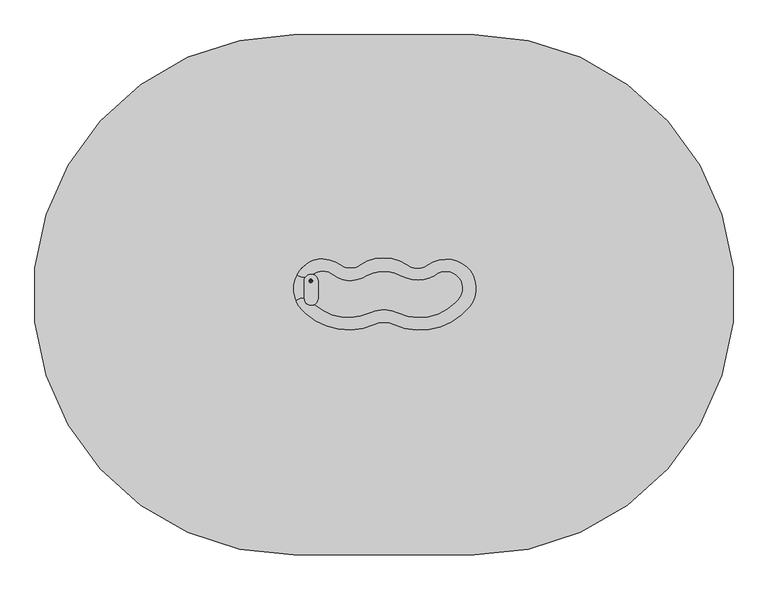
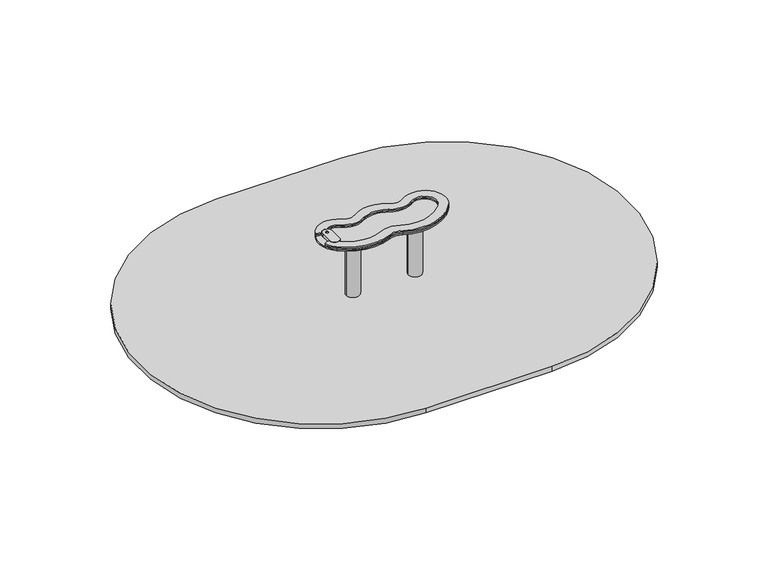
"""IFC4 building model written with IfcOpenShell, lengths in millimetres: furniture geometry."""

from ifc_helpers import new_model, si_unit, point, frame, frame_2d, origin, place, context, project, spatial, polyline, circle_curve, trimmed, segment, composite_curve, outline, extrude, source, transform, mapped, element, save
from ifc_brep_helpers import plane_surface, cylinder_surface, revolved_surface, extruded_surface, advanced_brep


def furniture_9df422db(model_context):
    return source(origin(), model_context, "Body", "SolidModel", [
        extrude(outline(composite_curve([segment(trimmed(circle_curve(frame_2d((-357.0, 0.0)), 55.0), [point((-412.0, 0.0))], [point((-302.0, 0.0))], False, "CARTESIAN"), True, "CONTINUOUS"), segment(trimmed(circle_curve(frame_2d((-357.0, 0.0)), 55.0), [point((-302.0, 0.0))], [point((-412.0, 0.0))], False, "CARTESIAN"), True, "CONTINUOUS")], self_intersect=False)), frame((0.0, 0.0, -600.0), z_axis=(0.0, 0.0, 1.0), x_axis=(1.0, 0.0, 0.0)), (0.0, 0.0, 1.0), 500.0),
        advanced_brep(
        [(-267.0, 150.0, -600.0), (-207.0, 90.0, -600.0), (-207.0, -90.0, -600.0), (-267.0, -150.0, -600.0), (-447.0, -150.0, -600.0), (-507.0, -90.0, -600.0), (-507.0, 90.0, -600.0), (-447.0, 150.0, -600.0), (-447.0, 150.0, -460.0), (-267.0, 150.0, -460.0), (-507.0, -90.0, -460.0), (-507.0, 90.0, -460.0), (-267.0, -150.0, -460.0), (-447.0, -150.0, -460.0), (-207.0, 90.0, -460.0), (-207.0, -90.0, -460.0), (-369.2959549, 72.6989403, -250.0), (-429.2959549, 12.6989403, -250.0), (-429.2959549, -12.6989403, -250.0), (-369.2959549, -72.6989403, -250.0), (-344.7040451, -72.6989403, -250.0), (-284.7040451, -12.6989403, -250.0), (-284.7040451, 12.6989403, -250.0), (-344.7040451, 72.6989403, -250.0)],
        [
            (0, 1, circle_curve(frame((-267.0, 90.0, -600.0), z_axis=(0.0, 0.0, -1.0), x_axis=(1.0, 0.0, 0.0)), 60.0)),
            (1, 2),
            (2, 3, circle_curve(frame((-267.0, -90.0, -600.0), z_axis=(0.0, 0.0, -1.0), x_axis=(1.0, 0.0, 0.0)), 60.0)),
            (3, 4),
            (4, 5, circle_curve(frame((-447.0, -90.0, -600.0), z_axis=(0.0, 0.0, -1.0), x_axis=(1.0, 0.0, 0.0)), 60.0)),
            (5, 6),
            (6, 7, circle_curve(frame((-447.0, 90.0, -600.0), z_axis=(0.0, 0.0, -1.0), x_axis=(1.0, 0.0, 0.0)), 60.0)),
            (7, 0),
            (7, 8),
            (8, 9),
            (9, 0),
            (5, 10),
            (10, 11),
            (11, 6),
            (3, 12),
            (12, 13),
            (13, 4),
            (1, 14),
            (14, 15),
            (15, 2),
            (16, 17, circle_curve(frame((-369.2959549, 12.6989403, -250.0), z_axis=(0.0, 0.0, 1.0), x_axis=(1.0, 0.0, 0.0)), 60.0)),
            (17, 18),
            (18, 19, circle_curve(frame((-369.2959549, -12.6989403, -250.0), z_axis=(0.0, 0.0, 1.0), x_axis=(1.0, 0.0, 0.0)), 60.0)),
            (19, 20),
            (20, 21, circle_curve(frame((-344.7040451, -12.6989403, -250.0), z_axis=(0.0, 0.0, 1.0), x_axis=(1.0, 0.0, 0.0)), 60.0)),
            (21, 22),
            (22, 23, circle_curve(frame((-344.7040451, 12.6989403, -250.0), z_axis=(0.0, 0.0, 1.0), x_axis=(1.0, 0.0, 0.0)), 60.0)),
            (23, 16),
            (17, 11),
            (10, 18),
            (19, 13),
            (12, 20),
            (21, 15),
            (14, 22),
            (23, 9),
            (8, 16),
            (11, 8, circle_curve(frame((-447.0, 90.0, -460.0), z_axis=(0.0, 0.0, -1.0), x_axis=(1.0, 0.0, 0.0)), 60.0)),
            (13, 10, circle_curve(frame((-447.0, -90.0, -460.0), z_axis=(0.0, 0.0, -1.0), x_axis=(1.0, 0.0, 0.0)), 60.0)),
            (15, 12, circle_curve(frame((-267.0, -90.0, -460.0), z_axis=(0.0, 0.0, -1.0), x_axis=(1.0, 0.0, 0.0)), 60.0)),
            (9, 14, circle_curve(frame((-267.0, 90.0, -460.0), z_axis=(0.0, 0.0, -1.0), x_axis=(1.0, 0.0, 0.0)), 60.0)),
        ],
        [
            plane_surface(frame((-533.6329682, 150.0, -600.0), z_axis=(0.0, 0.0, -1.0), x_axis=(1.0, 0.0, 0.0))),
            plane_surface(frame((-267.0, 150.0, -460.0), z_axis=(0.0, 1.0, 0.0), x_axis=(0.0, 0.0, -1.0))),
            plane_surface(frame((-507.0, 90.0, -460.0), z_axis=(-1.0, 0.0, 0.0), x_axis=(0.0, 0.0, -1.0))),
            plane_surface(frame((-447.0, -150.0, -460.0), z_axis=(0.0, -1.0, 0.0), x_axis=(0.0, 0.0, -1.0))),
            plane_surface(frame((-207.0, -90.0, -460.0), z_axis=(1.0, 0.0, 0.0), x_axis=(0.0, 0.0, -1.0))),
            plane_surface(frame((-357.0, 0.0, -250.0), z_axis=(0.0, 0.0, 1.0), x_axis=(-1.0, 0.0, 0.0))),
            plane_surface(frame((-507.0, 0.0, -460.0), z_axis=(-0.9378559633153523, 0.0, 0.3470247715564883), x_axis=(0.0, -1.0, 0.0))),
            plane_surface(frame((-357.0, -150.0, -460.0), z_axis=(0.0, -0.9384407279810882, 0.3454402988452927), x_axis=(1.0, 0.0, 0.0))),
            plane_surface(frame((-207.0, 0.0, -460.0), z_axis=(0.9378559633153524, 0.0, 0.34702477155648764), x_axis=(0.0, 1.0, 0.0))),
            plane_surface(frame((-357.0, 150.0, -460.0), z_axis=(0.0, 0.9384407279810884, 0.3454402988452924), x_axis=(-1.0, 0.0, 0.0))),
            cylinder_surface(frame((-447.0, 90.0, -600.0), z_axis=(0.0, 0.0, 1.0), x_axis=(1.0, 0.0, 0.0)), 60.0),
            cylinder_surface(frame((-447.0, -90.0, -600.0), z_axis=(0.0, 0.0, 1.0), x_axis=(1.0, 0.0, 0.0)), 60.0),
            cylinder_surface(frame((-267.0, -90.0, -600.0), z_axis=(0.0, 0.0, 1.0), x_axis=(1.0, 0.0, 0.0)), 60.0),
            cylinder_surface(frame((-267.0, 90.0, -600.0), z_axis=(0.0, 0.0, 1.0), x_axis=(1.0, 0.0, 0.0)), 60.0),
            extruded_surface(trimmed(circle_curve(frame((-447.0, 90.0, -460.0), z_axis=(0.0, 0.0, 1.0), x_axis=(1.0, 0.0, 0.0)), 60.0), [point((-447.0, 150.0, -460.0))], [point((-507.0, 90.0, -460.0))], True, "CARTESIAN"), (77.70404509999997, -77.3010597, 210.0), 236.8826132404947),
            extruded_surface(trimmed(circle_curve(frame((-267.0, 90.0, -460.0), z_axis=(0.0, 0.0, 1.0), x_axis=(1.0, 0.0, 0.0)), 60.0), [point((-207.0, 90.0, -460.0))], [point((-267.0, 150.0, -460.0))], True, "CARTESIAN"), (-77.70404509999997, -77.3010597, 210.0), 236.8826132404947),
            extruded_surface(trimmed(circle_curve(frame((-447.0, -90.0, -460.0), z_axis=(0.0, 0.0, 1.0), x_axis=(1.0, 0.0, 0.0)), 60.0), [point((-507.0, -90.0, -460.0))], [point((-447.0, -150.0, -460.0))], True, "CARTESIAN"), (77.70404509999997, 77.3010597, 210.0), 236.8826132404947),
            extruded_surface(trimmed(circle_curve(frame((-267.0, -90.0, -460.0), z_axis=(0.0, 0.0, 1.0), x_axis=(1.0, 0.0, 0.0)), 60.0), [point((-267.0, -150.0, -460.0))], [point((-207.0, -90.0, -460.0))], True, "CARTESIAN"), (-77.70404509999997, 77.3010597, 210.0), 236.8826132404947),
        ],
        [
            (0, [[1, 2, 3, 4, 5, 6, 7, 8]]),
            (1, [[-8, 9, 10, 11]]),
            (2, [[-6, 12, 13, 14]]),
            (3, [[-4, 15, 16, 17]]),
            (4, [[-2, 18, 19, 20]]),
            (5, [[21, 22, 23, 24, 25, 26, 27, 28]]),
            (6, [[-22, 29, -13, 30]]),
            (7, [[-24, 31, -16, 32]]),
            (8, [[-26, 33, -19, 34]]),
            (9, [[-28, 35, -10, 36]]),
            (10, [[-7, -14, 37, -9]]),
            (11, [[-5, -17, 38, -12]]),
            (12, [[-3, -20, 39, -15]]),
            (13, [[-1, -11, 40, -18]]),
            (14, [[-21, -36, -37, -29]]),
            (15, [[-27, -34, -40, -35]]),
            (16, [[-23, -30, -38, -31]]),
            (17, [[-25, -32, -39, -33]]),
        ],
    ),
        extrude(outline(composite_curve([segment(trimmed(circle_curve(frame_2d((155.0, 0.0)), 55.0), [point((100.0, 0.0))], [point((210.0, 0.0))], False, "CARTESIAN"), True, "CONTINUOUS"), segment(trimmed(circle_curve(frame_2d((155.0, 0.0)), 55.0), [point((210.0, 0.0))], [point((100.0, 0.0))], False, "CARTESIAN"), True, "CONTINUOUS")], self_intersect=False)), frame((0.0, 0.0, -600.0), z_axis=(0.0, 0.0, 1.0), x_axis=(1.0, 0.0, 0.0)), (0.0, 0.0, 1.0), 500.0),
        advanced_brep(
        [(245.0, 150.0, -600.0), (305.0, 90.0, -600.0), (305.0, -90.0, -600.0), (245.0, -150.0, -600.0), (65.0, -150.0, -600.0), (5.0, -90.0, -600.0), (5.0, 90.0, -600.0), (65.0, 150.0, -600.0), (65.0, 150.0, -460.0), (245.0, 150.0, -460.0), (5.0, -90.0, -460.0), (5.0, 90.0, -460.0), (245.0, -150.0, -460.0), (65.0, -150.0, -460.0), (305.0, 90.0, -460.0), (305.0, -90.0, -460.0), (142.7040451, 72.6989403, -250.0), (82.7040451, 12.6989403, -250.0), (82.7040451, -12.6989403, -250.0), (142.7040451, -72.6989403, -250.0), (167.2959549, -72.6989403, -250.0), (227.2959549, -12.6989403, -250.0), (227.2959549, 12.6989403, -250.0), (167.2959549, 72.6989403, -250.0)],
        [
            (0, 1, circle_curve(frame((245.0, 90.0, -600.0), z_axis=(0.0, 0.0, -1.0), x_axis=(1.0, 0.0, 0.0)), 60.0)),
            (1, 2),
            (2, 3, circle_curve(frame((245.0, -90.0, -600.0), z_axis=(0.0, 0.0, -1.0), x_axis=(1.0, 0.0, 0.0)), 60.0)),
            (3, 4),
            (4, 5, circle_curve(frame((65.0, -90.0, -600.0), z_axis=(0.0, 0.0, -1.0), x_axis=(1.0, 0.0, 0.0)), 60.0)),
            (5, 6),
            (6, 7, circle_curve(frame((65.0, 90.0, -600.0), z_axis=(0.0, 0.0, -1.0), x_axis=(1.0, 0.0, 0.0)), 60.0)),
            (7, 0),
            (7, 8),
            (8, 9),
            (9, 0),
            (5, 10),
            (10, 11),
            (11, 6),
            (3, 12),
            (12, 13),
            (13, 4),
            (1, 14),
            (14, 15),
            (15, 2),
            (16, 17, circle_curve(frame((142.7040451, 12.6989403, -250.0), z_axis=(0.0, 0.0, 1.0), x_axis=(1.0, 0.0, 0.0)), 60.0)),
            (17, 18),
            (18, 19, circle_curve(frame((142.7040451, -12.6989403, -250.0), z_axis=(0.0, 0.0, 1.0), x_axis=(1.0, 0.0, 0.0)), 60.0)),
            (19, 20),
            (20, 21, circle_curve(frame((167.2959549, -12.6989403, -250.0), z_axis=(0.0, 0.0, 1.0), x_axis=(1.0, 0.0, 0.0)), 60.0)),
            (21, 22),
            (22, 23, circle_curve(frame((167.2959549, 12.6989403, -250.0), z_axis=(0.0, 0.0, 1.0), x_axis=(1.0, 0.0, 0.0)), 60.0)),
            (23, 16),
            (17, 11),
            (10, 18),
            (19, 13),
            (12, 20),
            (21, 15),
            (14, 22),
            (23, 9),
            (8, 16),
            (11, 8, circle_curve(frame((65.0, 90.0, -460.0), z_axis=(0.0, 0.0, -1.0), x_axis=(1.0, 0.0, 0.0)), 60.0)),
            (13, 10, circle_curve(frame((65.0, -90.0, -460.0), z_axis=(0.0, 0.0, -1.0), x_axis=(1.0, 0.0, 0.0)), 60.0)),
            (15, 12, circle_curve(frame((245.0, -90.0, -460.0), z_axis=(0.0, 0.0, -1.0), x_axis=(1.0, 0.0, 0.0)), 60.0)),
            (9, 14, circle_curve(frame((245.0, 90.0, -460.0), z_axis=(0.0, 0.0, -1.0), x_axis=(1.0, 0.0, 0.0)), 60.0)),
        ],
        [
            plane_surface(frame((-21.6329682, 150.0, -600.0), z_axis=(0.0, 0.0, -1.0), x_axis=(1.0, 0.0, 0.0))),
            plane_surface(frame((245.0, 150.0, -460.0), z_axis=(0.0, 1.0, 0.0), x_axis=(0.0, 0.0, -1.0))),
            plane_surface(frame((5.0, 90.0, -460.0), z_axis=(-1.0, 0.0, 0.0), x_axis=(0.0, 0.0, -1.0))),
            plane_surface(frame((65.0, -150.0, -460.0), z_axis=(0.0, -1.0, 0.0), x_axis=(0.0, 0.0, -1.0))),
            plane_surface(frame((305.0, -90.0, -460.0), z_axis=(1.0, 0.0, 0.0), x_axis=(0.0, 0.0, -1.0))),
            plane_surface(frame((155.0, 0.0, -250.0), z_axis=(0.0, 0.0, 1.0), x_axis=(-1.0, 0.0, 0.0))),
            plane_surface(frame((5.0, 0.0, -460.0), z_axis=(-0.9378559633153523, 0.0, 0.3470247715564883), x_axis=(0.0, -1.0, 0.0))),
            plane_surface(frame((155.0, -150.0, -460.0), z_axis=(0.0, -0.9384407279810882, 0.3454402988452927), x_axis=(1.0, 0.0, 0.0))),
            plane_surface(frame((305.0, 0.0, -460.0), z_axis=(0.9378559633153524, 0.0, 0.34702477155648764), x_axis=(0.0, 1.0, 0.0))),
            plane_surface(frame((155.0, 150.0, -460.0), z_axis=(0.0, 0.9384407279810884, 0.3454402988452924), x_axis=(-1.0, 0.0, 0.0))),
            cylinder_surface(frame((65.0, 90.0, -600.0), z_axis=(0.0, 0.0, 1.0), x_axis=(1.0, 0.0, 0.0)), 60.0),
            cylinder_surface(frame((65.0, -90.0, -600.0), z_axis=(0.0, 0.0, 1.0), x_axis=(1.0, 0.0, 0.0)), 60.0),
            cylinder_surface(frame((245.0, -90.0, -600.0), z_axis=(0.0, 0.0, 1.0), x_axis=(1.0, 0.0, 0.0)), 60.0),
            cylinder_surface(frame((245.0, 90.0, -600.0), z_axis=(0.0, 0.0, 1.0), x_axis=(1.0, 0.0, 0.0)), 60.0),
            extruded_surface(trimmed(circle_curve(frame((65.0, 90.0, -460.0), z_axis=(0.0, 0.0, 1.0), x_axis=(1.0, 0.0, 0.0)), 60.0), [point((65.0, 150.0, -460.0))], [point((5.0, 90.0, -460.0))], True, "CARTESIAN"), (77.7040451, -77.3010597, 210.0), 236.8826132404947),
            extruded_surface(trimmed(circle_curve(frame((245.0, 90.0, -460.0), z_axis=(0.0, 0.0, 1.0), x_axis=(1.0, 0.0, 0.0)), 60.0), [point((305.0, 90.0, -460.0))], [point((245.0, 150.0, -460.0))], True, "CARTESIAN"), (-77.7040451, -77.3010597, 210.0), 236.8826132404947),
            extruded_surface(trimmed(circle_curve(frame((65.0, -90.0, -460.0), z_axis=(0.0, 0.0, 1.0), x_axis=(1.0, 0.0, 0.0)), 60.0), [point((5.0, -90.0, -460.0))], [point((65.0, -150.0, -460.0))], True, "CARTESIAN"), (77.7040451, 77.3010597, 210.0), 236.8826132404947),
            extruded_surface(trimmed(circle_curve(frame((245.0, -90.0, -460.0), z_axis=(0.0, 0.0, 1.0), x_axis=(1.0, 0.0, 0.0)), 60.0), [point((245.0, -150.0, -460.0))], [point((305.0, -90.0, -460.0))], True, "CARTESIAN"), (-77.7040451, 77.3010597, 210.0), 236.8826132404947),
        ],
        [
            (0, [[1, 2, 3, 4, 5, 6, 7, 8]]),
            (1, [[-8, 9, 10, 11]]),
            (2, [[-6, 12, 13, 14]]),
            (3, [[-4, 15, 16, 17]]),
            (4, [[-2, 18, 19, 20]]),
            (5, [[21, 22, 23, 24, 25, 26, 27, 28]]),
            (6, [[-22, 29, -13, 30]]),
            (7, [[-24, 31, -16, 32]]),
            (8, [[-26, 33, -19, 34]]),
            (9, [[-28, 35, -10, 36]]),
            (10, [[-7, -14, 37, -9]]),
            (11, [[-5, -17, 38, -12]]),
            (12, [[-3, -20, 39, -15]]),
            (13, [[-1, -11, 40, -18]]),
            (14, [[-21, -36, -37, -29]]),
            (15, [[-27, -34, -40, -35]]),
            (16, [[-23, -30, -38, -31]]),
            (17, [[-25, -32, -39, -33]]),
        ],
    ),
        extrude(outline(composite_curve([segment(polyline([(420.0, -1500.0), (-620.0, -1500.0)]), True, "CONTINUOUS"), segment(trimmed(circle_curve(frame_2d((-620.0, 0.0)), 1500.0), [point((-620.0, -1500.0))], [point((-620.0, 1500.0))], False, "CARTESIAN"), True, "CONTINUOUS"), segment(polyline([(-620.0, 1500.0), (420.0, 1500.0)]), True, "CONTINUOUS"), segment(trimmed(circle_curve(frame_2d((420.0, 0.0)), 1500.0), [point((420.0, 1500.0))], [point((420.0, -1500.0))], False, "CARTESIAN"), True, "CONTINUOUS")], self_intersect=False)), frame((0.0, 0.0, -40.0), z_axis=(0.0, 0.0, 1.0), x_axis=(1.0, 0.0, 0.0)), (0.0, 0.0, 1.0), 41.0),
        extrude(outline(composite_curve([segment(trimmed(circle_curve(frame_2d((-102.2659791, -73.0816305)), 209.6180446), [point((-0.3332943, 110.0834655))], [point((-200.5862924, 112.0476233))], True, "CARTESIAN"), True, "CONTINUOUS"), segment(trimmed(circle_curve(frame_2d((-293.0656209, 242.3534415)), 159.7874602), [point((-200.5862924, 112.0476233))], [point((-390.6376458, 115.8159671))], False, "CARTESIAN"), True, "CONTINUOUS"), segment(trimmed(circle_curve(frame_2d((-452.4761137, 35.6199935)), 101.2689009), [point((-390.6376458, 115.8159671))], [point((-451.8319199, 136.8868455))], True, "CARTESIAN"), True, "CONTINUOUS"), segment(trimmed(circle_curve(frame_2d((-452.4761137, 35.6199935)), 101.2689009), [point((-451.8319199, 136.8868455))], [point((-508.2367259, 120.1548645))], True, "CARTESIAN"), True, "CONTINUOUS"), segment(trimmed(circle_curve(frame_2d((-509.6132742, 122.2417557)), 2.5), [point((-508.2367259, 120.1548645))], [point((-510.2102124, 119.8140686))], False, "CARTESIAN"), True, "CONTINUOUS"), segment(trimmed(circle_curve(frame_2d((-520.0, 80.0)), 41.0), [point((-510.2102124, 119.8140686))], [point((-552.7835474, 104.6219215))], True, "CARTESIAN"), True, "CONTINUOUS"), segment(trimmed(circle_curve(frame_2d((-554.7825442, 106.1232582)), 2.5), [point((-552.7835474, 104.6219215))], [point((-554.2501153, 103.6806122))], False, "CARTESIAN"), True, "CONTINUOUS"), segment(trimmed(circle_curve(frame_2d((-565.3468737, 154.5896657)), 52.1044123), [point((-554.2501153, 103.6806122))], [point((-598.7762859, 114.6228772))], False, "CARTESIAN"), True, "CONTINUOUS"), segment(trimmed(circle_curve(frame_2d((-597.1723232, 116.540507)), 2.5), [point((-598.7762859, 114.6228772))], [point((-599.3826751, 117.7085587))], False, "CARTESIAN"), True, "CONTINUOUS"), segment(trimmed(circle_curve(frame_2d((-441.6926021, 34.377865)), 178.3540401), [point((-599.3826751, 117.7085587))], [point((-545.2898954, 179.5596974))], False, "CARTESIAN"), True, "CONTINUOUS"), segment(trimmed(circle_curve(frame_2d((-459.2916939, 59.0413317)), 148.055284), [point((-545.2898954, 179.5596974))], [point((-451.3866344, 206.8854292))], False, "CARTESIAN"), True, "CONTINUOUS"), segment(trimmed(circle_curve(frame_2d((-462.0271367, 7.8818085)), 199.2878855), [point((-451.3866344, 206.8854292))], [point((-347.8931042, 171.2497489))], False, "CARTESIAN"), True, "CONTINUOUS"), segment(trimmed(circle_curve(frame_2d((-293.0656209, 249.7281206)), 95.7335247), [point((-347.8931042, 171.2497489))], [point((-238.2381376, 171.2497489))], True, "CARTESIAN"), True, "CONTINUOUS"), segment(trimmed(circle_curve(frame_2d((-102.2659791, -23.3766128)), 237.4191412), [point((-238.2381376, 171.2497489))], [point((33.7061795, 171.2497489))], False, "CARTESIAN"), True, "CONTINUOUS"), segment(trimmed(circle_curve(frame_2d((92.9198614, 256.0063903)), 103.3922066), [point((33.7061795, 171.2497489))], [point((152.1335434, 171.2497489))], True, "CARTESIAN"), True, "CONTINUOUS"), segment(trimmed(circle_curve(frame_2d((260.2422098, 16.506332)), 188.7670756), [point((152.1335434, 171.2497489))], [point((289.5745864, 202.9805139))], False, "CARTESIAN"), True, "CONTINUOUS"), segment(trimmed(circle_curve(frame_2d((263.6734883, 38.3199362)), 166.6852505), [point((289.5745864, 202.9805139))], [point((393.0785197, -66.7434284))], False, "CARTESIAN"), True, "CONTINUOUS"), segment(trimmed(circle_curve(frame_2d((107.8221861, 164.8549095)), 367.4356624), [point((393.0785197, -66.7434284))], [point((-44.6217277, -169.4650258))], False, "CARTESIAN"), True, "CONTINUOUS"), segment(trimmed(circle_curve(frame_2d((-100.3253641, -291.6269124)), 134.2625102), [point((-44.6217277, -169.4650258))], [point((-156.0290004, -169.4650258))], True, "CARTESIAN"), True, "CONTINUOUS"), segment(trimmed(circle_curve(frame_2d((-306.0607811, 159.5649366)), 361.6216965), [point((-156.0290004, -169.4650258))], [point((-550.4253338, -106.9987833))], False, "CARTESIAN"), True, "CONTINUOUS"), segment(trimmed(circle_curve(frame_2d((-441.6926021, 34.377865)), 178.3540401), [point((-550.4253338, -106.9987833))], [point((-604.5468512, -38.3452894))], False, "CARTESIAN"), True, "CONTINUOUS"), segment(trimmed(circle_curve(frame_2d((-602.2641127, -37.3259242)), 2.5), [point((-604.5468512, -38.3452894))], [point((-604.4451689, -36.1040428))], False, "CARTESIAN"), True, "CONTINUOUS"), segment(trimmed(circle_curve(frame_2d((-574.8667442, -52.6746054)), 33.9037867), [point((-604.4451689, -36.1040428))], [point((-562.4468504, -21.1276089))], False, "CARTESIAN"), True, "CONTINUOUS"), segment(trimmed(circle_curve(frame_2d((-563.3626694, -23.4538237)), 2.5), [point((-562.4468504, -21.1276089))], [point((-560.870562, -23.2553281))], False, "CARTESIAN"), True, "CONTINUOUS"), segment(trimmed(circle_curve(frame_2d((-520.0, -20.0)), 41.0), [point((-560.870562, -23.2553281))], [point((-502.6010397, -57.1251421))], True, "CARTESIAN"), True, "CONTINUOUS"), segment(trimmed(circle_curve(frame_2d((-501.5401274, -59.3888703)), 2.5), [point((-502.6010397, -57.1251421))], [point((-499.8845963, -57.51558))], False, "CARTESIAN"), True, "CONTINUOUS"), segment(trimmed(circle_curve(frame_2d((-304.9723407, 163.0343298)), 294.3349285), [point((-499.8845963, -57.51558))], [point((-180.7247201, -103.7906669))], True, "CARTESIAN"), True, "CONTINUOUS"), segment(trimmed(circle_curve(frame_2d((-100.7343314, -275.5721072)), 189.4922835), [point((-180.7247201, -103.7906669))], [point((-20.7439427, -103.7906669))], False, "CARTESIAN"), True, "CONTINUOUS"), segment(trimmed(circle_curve(frame_2d((103.1584535, 162.2929513)), 293.5171131), [point((-20.7439427, -103.7906669))], [point((313.6841272, -42.2339085))], True, "CARTESIAN"), True, "CONTINUOUS"), segment(trimmed(circle_curve(frame_2d((255.3701318, 37.6096206)), 98.8711849), [point((313.6841272, -42.2339085))], [point((191.8250938, 113.3561674))], True, "CARTESIAN"), True, "CONTINUOUS"), segment(trimmed(circle_curve(frame_2d((92.9198614, 277.6521238)), 191.7691484), [point((191.8250938, 113.3561674))], [point((-0.3332943, 110.0834655))], False, "CARTESIAN"), True, "CONTINUOUS")], self_intersect=False)), frame((0.0, 0.0, 528.5936532), z_axis=(0.0, 0.0, 1.0), x_axis=(1.0, 0.0, 0.0)), (0.0, 0.0, 1.0), 12.1330298),
        extrude(outline(composite_curve([segment(trimmed(circle_curve(frame_2d((-102.2659791, -73.0816305)), 209.6180446), [point((-0.3332943, 110.0834655))], [point((-200.5862924, 112.0476233))], True, "CARTESIAN"), True, "CONTINUOUS"), segment(trimmed(circle_curve(frame_2d((-293.0656209, 242.3534415)), 159.7874602), [point((-200.5862924, 112.0476233))], [point((-390.6376458, 115.8159671))], False, "CARTESIAN"), True, "CONTINUOUS"), segment(trimmed(circle_curve(frame_2d((-452.4761137, 35.6199935)), 101.2689009), [point((-390.6376458, 115.8159671))], [point((-451.8319199, 136.8868455))], True, "CARTESIAN"), True, "CONTINUOUS"), segment(trimmed(circle_curve(frame_2d((-452.4761137, 35.6199935)), 101.2689009), [point((-451.8319199, 136.8868455))], [point((-508.2367259, 120.1548645))], True, "CARTESIAN"), True, "CONTINUOUS"), segment(trimmed(circle_curve(frame_2d((-509.6132742, 122.2417557)), 2.5), [point((-508.2367259, 120.1548645))], [point((-510.2102124, 119.8140686))], False, "CARTESIAN"), True, "CONTINUOUS"), segment(trimmed(circle_curve(frame_2d((-520.0, 80.0)), 41.0), [point((-510.2102124, 119.8140686))], [point((-552.7835474, 104.6219215))], True, "CARTESIAN"), True, "CONTINUOUS"), segment(trimmed(circle_curve(frame_2d((-554.7825442, 106.1232582)), 2.5), [point((-552.7835474, 104.6219215))], [point((-554.2501153, 103.6806122))], False, "CARTESIAN"), True, "CONTINUOUS"), segment(trimmed(circle_curve(frame_2d((-565.3468737, 154.5896657)), 52.1044123), [point((-554.2501153, 103.6806122))], [point((-598.7762859, 114.6228772))], False, "CARTESIAN"), True, "CONTINUOUS"), segment(trimmed(circle_curve(frame_2d((-597.1723232, 116.540507)), 2.5), [point((-598.7762859, 114.6228772))], [point((-599.3826751, 117.7085587))], False, "CARTESIAN"), True, "CONTINUOUS"), segment(trimmed(circle_curve(frame_2d((-441.6926021, 34.377865)), 178.3540401), [point((-599.3826751, 117.7085587))], [point((-545.2898954, 179.5596974))], False, "CARTESIAN"), True, "CONTINUOUS"), segment(trimmed(circle_curve(frame_2d((-459.2916939, 59.0413317)), 148.055284), [point((-545.2898954, 179.5596974))], [point((-451.3866344, 206.8854292))], False, "CARTESIAN"), True, "CONTINUOUS"), segment(trimmed(circle_curve(frame_2d((-462.0271367, 7.8818085)), 199.2878855), [point((-451.3866344, 206.8854292))], [point((-347.8931042, 171.2497489))], False, "CARTESIAN"), True, "CONTINUOUS"), segment(trimmed(circle_curve(frame_2d((-293.0656209, 249.7281206)), 95.7335247), [point((-347.8931042, 171.2497489))], [point((-238.2381376, 171.2497489))], True, "CARTESIAN"), True, "CONTINUOUS"), segment(trimmed(circle_curve(frame_2d((-102.2659791, -23.3766128)), 237.4191412), [point((-238.2381376, 171.2497489))], [point((33.7061795, 171.2497489))], False, "CARTESIAN"), True, "CONTINUOUS"), segment(trimmed(circle_curve(frame_2d((92.9198614, 256.0063903)), 103.3922066), [point((33.7061795, 171.2497489))], [point((152.1335434, 171.2497489))], True, "CARTESIAN"), True, "CONTINUOUS"), segment(trimmed(circle_curve(frame_2d((260.2422098, 16.506332)), 188.7670756), [point((152.1335434, 171.2497489))], [point((289.5745864, 202.9805139))], False, "CARTESIAN"), True, "CONTINUOUS"), segment(trimmed(circle_curve(frame_2d((263.6734883, 38.3199362)), 166.6852505), [point((289.5745864, 202.9805139))], [point((393.0785197, -66.7434284))], False, "CARTESIAN"), True, "CONTINUOUS"), segment(trimmed(circle_curve(frame_2d((107.8221861, 164.8549095)), 367.4356624), [point((393.0785197, -66.7434284))], [point((-44.6217277, -169.4650258))], False, "CARTESIAN"), True, "CONTINUOUS"), segment(trimmed(circle_curve(frame_2d((-100.3253641, -291.6269124)), 134.2625102), [point((-44.6217277, -169.4650258))], [point((-156.0290004, -169.4650258))], True, "CARTESIAN"), True, "CONTINUOUS"), segment(trimmed(circle_curve(frame_2d((-306.0607811, 159.5649366)), 361.6216965), [point((-156.0290004, -169.4650258))], [point((-550.4253338, -106.9987833))], False, "CARTESIAN"), True, "CONTINUOUS"), segment(trimmed(circle_curve(frame_2d((-441.6926021, 34.377865)), 178.3540401), [point((-550.4253338, -106.9987833))], [point((-604.5468512, -38.3452894))], False, "CARTESIAN"), True, "CONTINUOUS"), segment(trimmed(circle_curve(frame_2d((-602.2641127, -37.3259242)), 2.5), [point((-604.5468512, -38.3452894))], [point((-604.4451689, -36.1040428))], False, "CARTESIAN"), True, "CONTINUOUS"), segment(trimmed(circle_curve(frame_2d((-574.8667442, -52.6746054)), 33.9037867), [point((-604.4451689, -36.1040428))], [point((-562.4468504, -21.1276089))], False, "CARTESIAN"), True, "CONTINUOUS"), segment(trimmed(circle_curve(frame_2d((-563.3626694, -23.4538237)), 2.5), [point((-562.4468504, -21.1276089))], [point((-560.870562, -23.2553281))], False, "CARTESIAN"), True, "CONTINUOUS"), segment(trimmed(circle_curve(frame_2d((-520.0, -20.0)), 41.0), [point((-560.870562, -23.2553281))], [point((-502.6010397, -57.1251421))], True, "CARTESIAN"), True, "CONTINUOUS"), segment(trimmed(circle_curve(frame_2d((-501.5401274, -59.3888703)), 2.5), [point((-502.6010397, -57.1251421))], [point((-499.8845963, -57.51558))], False, "CARTESIAN"), True, "CONTINUOUS"), segment(trimmed(circle_curve(frame_2d((-304.9723407, 163.0343298)), 294.3349285), [point((-499.8845963, -57.51558))], [point((-180.7247201, -103.7906669))], True, "CARTESIAN"), True, "CONTINUOUS"), segment(trimmed(circle_curve(frame_2d((-100.7343314, -275.5721072)), 189.4922835), [point((-180.7247201, -103.7906669))], [point((-20.7439427, -103.7906669))], False, "CARTESIAN"), True, "CONTINUOUS"), segment(trimmed(circle_curve(frame_2d((103.1584535, 162.2929513)), 293.5171131), [point((-20.7439427, -103.7906669))], [point((313.6841272, -42.2339085))], True, "CARTESIAN"), True, "CONTINUOUS"), segment(trimmed(circle_curve(frame_2d((255.3701318, 37.6096206)), 98.8711849), [point((313.6841272, -42.2339085))], [point((191.8250938, 113.3561674))], True, "CARTESIAN"), True, "CONTINUOUS"), segment(trimmed(circle_curve(frame_2d((92.9198614, 277.6521238)), 191.7691484), [point((191.8250938, 113.3561674))], [point((-0.3332943, 110.0834655))], False, "CARTESIAN"), True, "CONTINUOUS")], self_intersect=False)), frame((0.0, 0.0, 517.0), z_axis=(0.0, 0.0, 1.0), x_axis=(1.0, 0.0, 0.0)), (0.0, 0.0, 1.0), 11.5936532),
        extrude(outline(composite_curve([segment(trimmed(circle_curve(frame_2d((-459.2916939, 59.0413317)), 148.055284), [point((-545.2898954, 179.5596974))], [point((-451.3866344, 206.8854292))], False, "CARTESIAN"), True, "CONTINUOUS"), segment(trimmed(circle_curve(frame_2d((-462.0271367, 7.8818085)), 199.2878855), [point((-451.3866344, 206.8854292))], [point((-347.8931042, 171.2497489))], False, "CARTESIAN"), True, "CONTINUOUS"), segment(trimmed(circle_curve(frame_2d((-293.0656209, 249.7281206)), 95.7335247), [point((-347.8931042, 171.2497489))], [point((-238.2381376, 171.2497489))], True, "CARTESIAN"), True, "CONTINUOUS"), segment(trimmed(circle_curve(frame_2d((-102.2659791, -23.3766128)), 237.4191412), [point((-238.2381376, 171.2497489))], [point((33.7061795, 171.2497489))], False, "CARTESIAN"), True, "CONTINUOUS"), segment(trimmed(circle_curve(frame_2d((92.9198614, 256.0063903)), 103.3922066), [point((33.7061795, 171.2497489))], [point((152.1335434, 171.2497489))], True, "CARTESIAN"), True, "CONTINUOUS"), segment(trimmed(circle_curve(frame_2d((260.2422098, 16.506332)), 188.7670756), [point((152.1335434, 171.2497489))], [point((289.5745864, 202.9805139))], False, "CARTESIAN"), True, "CONTINUOUS"), segment(trimmed(circle_curve(frame_2d((263.6734883, 38.3199362)), 166.6852505), [point((289.5745864, 202.9805139))], [point((393.0785197, -66.7434284))], False, "CARTESIAN"), True, "CONTINUOUS"), segment(trimmed(circle_curve(frame_2d((107.8221861, 164.8549095)), 367.4356624), [point((393.0785197, -66.7434284))], [point((-44.6217277, -169.4650258))], False, "CARTESIAN"), True, "CONTINUOUS"), segment(trimmed(circle_curve(frame_2d((-100.3253641, -291.6269124)), 134.2625102), [point((-44.6217277, -169.4650258))], [point((-156.0290004, -169.4650258))], True, "CARTESIAN"), True, "CONTINUOUS"), segment(trimmed(circle_curve(frame_2d((-306.0607811, 159.5649366)), 361.6216965), [point((-156.0290004, -169.4650258))], [point((-550.4253338, -106.9987833))], False, "CARTESIAN"), True, "CONTINUOUS"), segment(trimmed(circle_curve(frame_2d((-441.6926021, 34.377865)), 178.3540401), [point((-550.4253338, -106.9987833))], [point((-545.2898954, 179.5596974))], False, "CARTESIAN"), True, "CONTINUOUS")], self_intersect=False)), frame((0.0, 0.0, 505.0), z_axis=(0.0, 0.0, 1.0), x_axis=(1.0, 0.0, 0.0)), (0.0, 0.0, 1.0), 12.0),
        extrude(outline(composite_curve([segment(trimmed(circle_curve(frame_2d((-357.0, 0.0)), 55.0), [point((-412.0, 0.0))], [point((-302.0, 0.0))], False, "CARTESIAN"), True, "CONTINUOUS"), segment(trimmed(circle_curve(frame_2d((-357.0, 0.0)), 55.0), [point((-302.0, 0.0))], [point((-412.0, 0.0))], False, "CARTESIAN"), True, "CONTINUOUS")], self_intersect=False)), frame((0.0, 0.0, -100.0), z_axis=(0.0, 0.0, 1.0), x_axis=(1.0, 0.0, 0.0)), (0.0, 0.0, 1.0), 605.0),
        extrude(outline(composite_curve([segment(trimmed(circle_curve(frame_2d((155.0, 0.0)), 55.0), [point((100.0, 0.0))], [point((210.0, 0.0))], False, "CARTESIAN"), True, "CONTINUOUS"), segment(trimmed(circle_curve(frame_2d((155.0, 0.0)), 55.0), [point((210.0, 0.0))], [point((100.0, 0.0))], False, "CARTESIAN"), True, "CONTINUOUS")], self_intersect=False)), frame((0.0, 0.0, -100.0), z_axis=(0.0, 0.0, 1.0), x_axis=(1.0, 0.0, 0.0)), (0.0, 0.0, 1.0), 605.0),
        extrude(outline(composite_curve([segment(trimmed(circle_curve(frame_2d((-520.0, 80.0)), 40.0), [point((-560.0, 80.0))], [point((-480.0, 80.0))], False, "CARTESIAN"), True, "CONTINUOUS"), segment(polyline([(-480.0, 80.0), (-480.0, -20.0)]), True, "CONTINUOUS"), segment(trimmed(circle_curve(frame_2d((-520.0, -20.0)), 40.0), [point((-480.0, -20.0))], [point((-560.0, -20.0))], False, "CARTESIAN"), True, "CONTINUOUS"), segment(polyline([(-560.0, -20.0), (-560.0, 80.0)]), True, "CONTINUOUS")], self_intersect=False)), frame((0.0, 0.0, 517.0), z_axis=(0.0, 0.0, 1.0), x_axis=(1.0, 0.0, 0.0)), (0.0, 0.0, 1.0), 23.726683),
        advanced_brep(
        [(-533.9058574, 80.9831512, 540.726683), (-509.9058574, 80.9831512, 540.726683), (-526.9058574, 80.9831512, 548.726683), (-516.9058574, 80.9831512, 548.726683)],
        [
            (0, 1, circle_curve(frame((-521.9058574, 80.9831512, 540.726683), z_axis=(0.0, 0.0, -1.0), x_axis=(-1.0, 0.0, 0.0)), 12.0)),
            (1, 0, circle_curve(frame((-521.9058574, 80.9831512, 540.726683), z_axis=(0.0, 0.0, -1.0), x_axis=(1.0, 0.0, 0.0)), 12.0)),
            (2, 3, circle_curve(frame((-521.9058574, 80.9831512, 548.726683), z_axis=(0.0, 0.0, 1.0), x_axis=(1.0, 0.0, 0.0)), 5.0)),
            (3, 2, circle_curve(frame((-521.9058574, 80.9831512, 548.726683), z_axis=(0.0, 0.0, 1.0), x_axis=(-1.0, 0.0, 0.0)), 5.0)),
            (2, 0),
            (1, 3),
        ],
        [
            plane_surface(frame((-521.9058574, 80.9831512, 540.726683), z_axis=(0.0, 0.0, -1.0), x_axis=(0.0, -1.0, 0.0))),
            plane_surface(frame((-521.9058574, 80.9831512, 548.726683), z_axis=(0.0, 0.0, 1.0), x_axis=(0.0, -1.0, 0.0))),
            revolved_surface(polyline([(-526.9058573927083, 80.9831512, 548.726683), (-533.9058574, 80.9831512, 540.726683)]), (-521.9058574, 80.9831512, 554.4409687), (0.0, 0.0, -1.0)),
            revolved_surface(polyline([(-516.9058574072916, 80.9831512, 548.726683), (-509.9058574, 80.9831512, 540.726683)]), (-521.9058574, 80.9831512, 554.4409687), (0.0, 0.0, -1.0)),
        ],
        [
            (0, [[1, 2]]),
            (1, [[3, 4]]),
            (2, [[-3, 5, -2, 6]]),
            (3, [[-4, -6, -1, -5]]),
        ],
    ),
    ])


if __name__ == "__main__":
    model = new_model("IFC4")
    model_context = context("Model", 3, world=origin())
    ifc_project = project(units=[si_unit("LENGTHUNIT", "METRE", prefix="MILLI")], contexts=[model_context])
    site = spatial("IfcSite", under=ifc_project)
    building = spatial("IfcBuilding", under=site)
    placement = place(None, origin())
    furniture_shape = furniture_9df422db(model_context)
    element("IfcFurniture", 1, at=placement, inside=building, context=model_context, shape_type="MappedRepresentation", body=[
        mapped(furniture_shape, transform((0.0, 0.0, 0.0), x_axis=(1.0, 0.0, 0.0), y_axis=(0.0, 1.0, 0.0), z_axis=(0.0, 0.0, 1.0))),
    ])
    save(model, "model.ifc")
